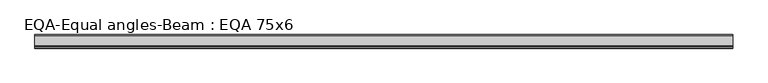
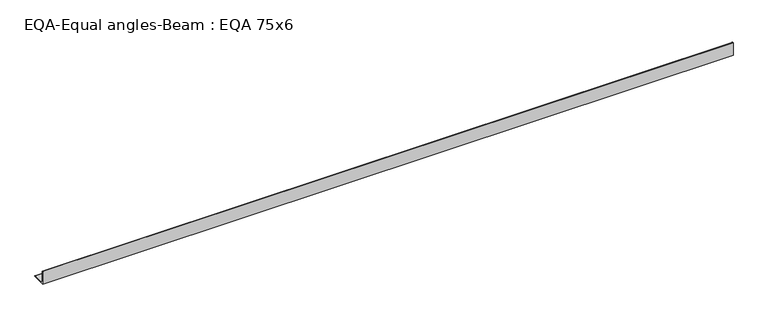
"""IFC4 building model written with IfcOpenShell, lengths in millimetres: beam geometry, EQA-Equal angles-Beam : EQA 75x6."""

from ifc_helpers import new_model, si_unit, point, frame, frame_2d, origin, place, context, project, spatial, polyline, circle_curve, trimmed, segment, composite_curve, outline, extrude, source, transform, mapped, element, save


def eqa_equal_angles_beam_eqa_75x6_3ce65b7c(model_context):
    return source(origin(), model_context, "Body", "SweptSolid", [
        extrude(outline(composite_curve([segment(polyline([(-20.5, -20.5), (-20.5, 54.5), (-19.0, 54.5)]), True, "CONTINUOUS"), segment(trimmed(circle_curve(frame_2d((-19.0, 50.0)), 4.5), [point((-19.0, 54.5))], [point((-14.5, 50.0))], False, "CARTESIAN"), True, "CONTINUOUS"), segment(polyline([(-14.5, 50.0), (-14.5, -5.5)]), True, "CONTINUOUS"), segment(trimmed(circle_curve(frame_2d((-5.5, -5.5)), 9.0), [point((-14.5, -5.5))], [point((-5.5, -14.5))], True, "CARTESIAN"), True, "CONTINUOUS"), segment(polyline([(-5.5, -14.5), (50.0, -14.5)]), True, "CONTINUOUS"), segment(trimmed(circle_curve(frame_2d((50.0, -19.0)), 4.5), [point((50.0, -14.5))], [point((54.5, -19.0))], False, "CARTESIAN"), True, "CONTINUOUS"), segment(polyline([(54.5, -19.0), (54.5, -20.5), (-20.5, -20.5)]), True, "CONTINUOUS")], self_intersect=False)), frame((-1901.9851429, 0.0, 0.0), z_axis=(1.0, 0.0, 0.0), x_axis=(0.0, 1.0, 0.0)), (0.0, 0.0, 1.0), 3829.5195281),
    ])


if __name__ == "__main__":
    model = new_model("IFC4")
    model_context = context("Model", 3, world=origin())
    ifc_project = project(units=[si_unit("LENGTHUNIT", "METRE", prefix="MILLI")], contexts=[model_context])
    site = spatial("IfcSite", under=ifc_project)
    building = spatial("IfcBuilding", under=site)
    placement = place(None, origin())
    eqa_equal_angles_beam_eqa_75x6_shape = eqa_equal_angles_beam_eqa_75x6_3ce65b7c(model_context)
    element("IfcBeam", 1, ObjectType="EQA-Equal angles-Beam : EQA 75x6", at=placement, inside=building, context=model_context, shape_type="MappedRepresentation", body=[
        mapped(eqa_equal_angles_beam_eqa_75x6_shape, transform((0.0, 0.0, 0.0), x_axis=(1.0, 0.0, 0.0), y_axis=(0.0, 1.0, 0.0), z_axis=(0.0, 0.0, 1.0))),
    ])
    save(model, "model.ifc")
